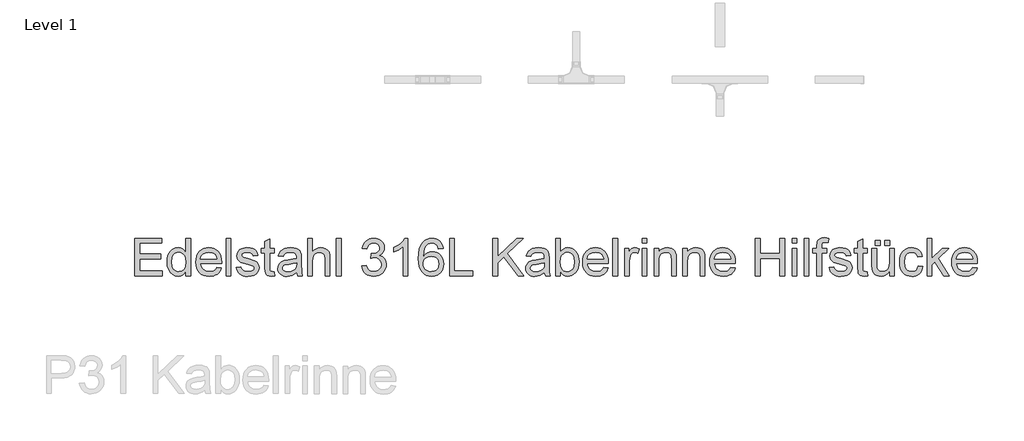
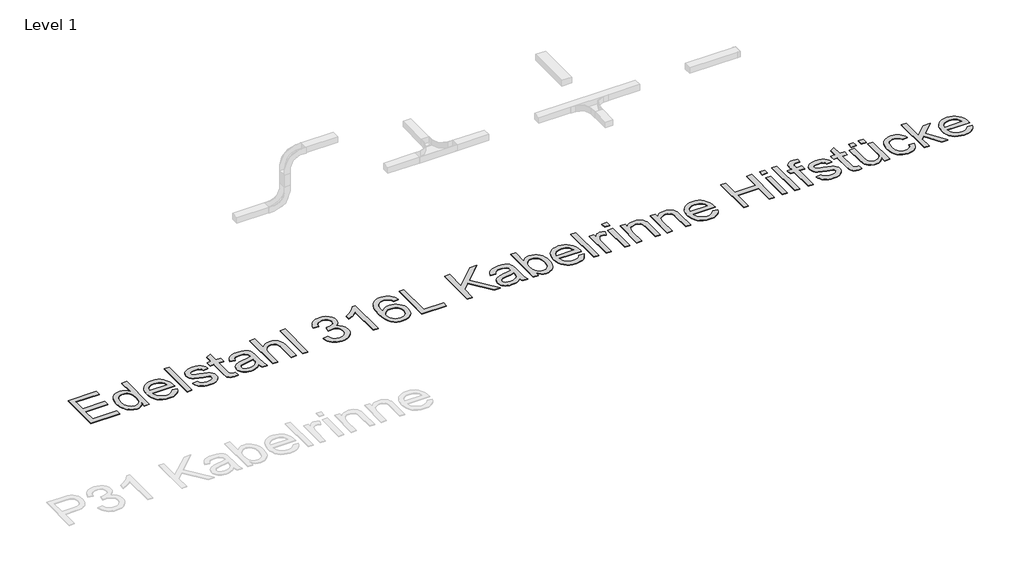
# One storey, part 12 of 15: 1 proxy.
"""IFC4 building model written with IfcOpenShell, lengths in millimetres."""

import ifcopenshell
import ifcopenshell.guid

model = None  # the IFC model being written
_history = None  # IfcOwnerHistory: only IFC2X3 demands one
_inside = {}  # id of a spatial element -> (the spatial element, [elements in it])
_under = {}  # id of a project, library or spatial element -> (it, [spatial elements below it])
_declared = {}  # id of a project -> (the project, [libraries it declares])
_typed = {}  # id of a type object -> (the type object, [elements of that type])
_made_of = {}  # id of a material, layer set ... -> (it, [elements and type objects made of it])


def new_model(schema):
    """Start an empty IFC model of exactly this schema.

    Asked for "IFC4X3", IfcOpenShell would pick the latest addendum, in which some entities
    have other attributes; the version numbers below select the first issue.
    IFC2X3 requires an IfcOwnerHistory on every rooted entity: one is made here for all.
    """
    global model, _history
    if schema == "IFC4X3":
        model = ifcopenshell.file(schema_version=(4, 3, 0, 0))
    else:
        model = ifcopenshell.file(schema=schema)
    _inside.clear()
    _under.clear()
    _declared.clear()
    _typed.clear()
    _made_of.clear()
    _history = None
    if model.schema == "IFC2X3":
        org = make("IfcOrganization", Name="unknown")
        user = make(
            "IfcPersonAndOrganization",
            ThePerson=make("IfcPerson", FamilyName="unknown"),
            TheOrganization=org,
        )
        app = make(
            "IfcApplication",
            ApplicationDeveloper=org,
            Version="unknown",
            ApplicationFullName="unknown",
            ApplicationIdentifier="unknown",
        )
        _history = make(
            "IfcOwnerHistory",
            OwningUser=user,
            OwningApplication=app,
            ChangeAction="ADDED",
            CreationDate=0,
        )
    return model


def make(cls, **values):
    """One entity of the class cls with the attributes given. An attribute that is None is left unset."""
    return model.create_entity(
        cls, **{name: value for name, value in values.items() if value is not None}
    )


def rooted(cls, **values):
    """An entity with a GlobalId (a new one), such as an element, a storey or a relation."""
    return make(cls, GlobalId=ifcopenshell.guid.new(), OwnerHistory=_history, **values)


def si_unit(unit_type, name, prefix=None):
    """IfcSIUnit, for example si_unit("LENGTHUNIT", "METRE", prefix="MILLI")."""
    return make("IfcSIUnit", UnitType=unit_type, Prefix=prefix, Name=name)


def assignment(units):
    """IfcUnitAssignment: the units of a project."""
    return None if units is None else make("IfcUnitAssignment", Units=units)


def point(xyz):
    """IfcCartesianPoint."""
    return None if xyz is None else make("IfcCartesianPoint", Coordinates=xyz)


def direction(xyz):
    """IfcDirection."""
    return None if xyz is None else make("IfcDirection", DirectionRatios=xyz)


def frame(location, z_axis=None, x_axis=None):
    """IfcAxis2Placement3D, a coordinate frame: its origin and axes. An axis left out is left unset."""
    return make(
        "IfcAxis2Placement3D",
        Location=point(location),
        Axis=direction(z_axis),
        RefDirection=direction(x_axis),
    )


def origin():
    """The frame at (0, 0, 0) with its axes left unset."""
    return frame((0.0, 0.0, 0.0))


def origin_with_axes():
    """The frame at (0, 0, 0) with the z axis (0, 0, 1) and the x axis (1, 0, 0) written out."""
    return frame((0.0, 0.0, 0.0), z_axis=(0.0, 0.0, 1.0), x_axis=(1.0, 0.0, 0.0))


def place(relative_to, where):
    """IfcLocalPlacement: puts the frame where relative to a parent placement (None: the world)."""
    return make(
        "IfcLocalPlacement", PlacementRelTo=relative_to, RelativePlacement=where
    )


def context(
    kind, dimensions, precision=None, world=None, true_north=None, identifier=None
):
    """IfcGeometricRepresentationContext, for example the 3D "Model" context."""
    return make(
        "IfcGeometricRepresentationContext",
        ContextIdentifier=identifier,
        ContextType=kind,
        CoordinateSpaceDimension=dimensions,
        Precision=precision,
        WorldCoordinateSystem=world,
        TrueNorth=true_north,
    )


def project(units=None, contexts=None):
    """IfcProject with its units and contexts."""
    return rooted(
        "IfcProject",
        Name="project",
        RepresentationContexts=contexts,
        UnitsInContext=assignment(units),
    )


def spatial(cls, under=None, at=None, **own):
    """A site, building, storey or space (cls), placed at a placement, below another one or the project."""
    s = rooted(cls, ObjectPlacement=at, **own)
    if under is not None:
        _under.setdefault(under.id(), (under, []))[1].append(s)
    return s


def polyline(points):
    """IfcPolyline through the points."""
    return make("IfcPolyline", Points=[point(p) for p in points])


def outline(outer, holes=None, kind="AREA"):
    """IfcArbitraryClosedProfileDef: a profile drawn as a closed curve; with holes, ...WithVoids."""
    if holes is None:
        return make("IfcArbitraryClosedProfileDef", ProfileType=kind, OuterCurve=outer)
    return make(
        "IfcArbitraryProfileDefWithVoids",
        ProfileType=kind,
        OuterCurve=outer,
        InnerCurves=holes,
    )


def extrude(swept, where, along, depth):
    """IfcExtrudedAreaSolid: the profile swept, set in the frame where, extruded along a direction by depth."""
    return make(
        "IfcExtrudedAreaSolid",
        SweptArea=swept,
        Position=where,
        ExtrudedDirection=direction(along),
        Depth=depth,
    )


def shape(context_of_items, identifier, shape_type, items):
    """IfcShapeRepresentation: the items that make up one representation, for example the "Body"."""
    return make(
        "IfcShapeRepresentation",
        ContextOfItems=context_of_items,
        RepresentationIdentifier=identifier,
        RepresentationType=shape_type,
        Items=items,
    )


def made_of(thing, what):
    """Note that an element or type object is made of a material, layer set ...; save() writes the relation."""
    if what is not None:
        _made_of.setdefault(what.id(), (what, []))[1].append(thing)
    return thing


def element(
    cls,
    number,
    at=None,
    inside=None,
    cuts=None,
    type_object=None,
    material=None,
    context=None,
    identifier="Body",
    shape_type=None,
    held_by="IfcProductDefinitionShape",
    body=None,
    shapes=None,
    **own,
):
    """One element of the class cls, such as IfcWall. Its Tag is "e" and its number.

    at: its placement. inside: the storey or other place that contains it. cuts: it is an
    opening in that element (IfcRelVoidsElement). A single representation is given by context,
    identifier, shape_type and body (its items); several are given by shapes. held_by: the class
    of the entity that holds the representations. save() writes the other relations.
    """
    e = rooted(cls, Tag="e%d" % number, ObjectPlacement=at, **own)
    if body is not None:
        shapes = [shape(context, identifier, shape_type, body)]
    if shapes is not None:
        e.Representation = make(held_by, Representations=shapes)
    if inside is not None:
        _inside.setdefault(inside.id(), (inside, []))[1].append(e)
    if cuts is not None:
        rooted(
            "IfcRelVoidsElement", RelatingBuildingElement=cuts, RelatedOpeningElement=e
        )
    if type_object is not None:
        _typed.setdefault(type_object.id(), (type_object, []))[1].append(e)
    return made_of(e, material)


def aggregate(whole, parts):
    """IfcRelAggregates: a whole, such as a stair, and the parts it consists of."""
    return rooted("IfcRelAggregates", RelatingObject=whole, RelatedObjects=parts)


def save(model, path):
    """Write the relations noted so far, then the file.

    IfcRelAggregates (storeys below a building ...), IfcRelContainedInSpatialStructure (elements
    in a storey), IfcRelDefinesByType, IfcRelAssociatesMaterial and IfcRelDeclares: one each for
    every whole, place, type object, material and project.
    """
    for whole, parts in _under.values():
        aggregate(whole, parts)
    for where, things in _inside.values():
        rooted(
            "IfcRelContainedInSpatialStructure",
            RelatedElements=things,
            RelatingStructure=where,
        )
    for kind, things in _typed.values():
        rooted("IfcRelDefinesByType", RelatedObjects=things, RelatingType=kind)
    for what, things in _made_of.values():
        rooted("IfcRelAssociatesMaterial", RelatedObjects=things, RelatingMaterial=what)
    for by, libraries in _declared.values():
        rooted("IfcRelDeclares", RelatingContext=by, RelatedDefinitions=libraries)
    model.write(path)


model = new_model("IFC4")

# Units and contexts
model_context = context("Model", 3, world=origin())
ifc_project = project(units=[si_unit("LENGTHUNIT", "METRE", prefix="MILLI")], contexts=[model_context])

# Site, building, storey
site = spatial("IfcSite", under=ifc_project)
building = spatial("IfcBuilding", under=site)
storey = spatial("IfcBuildingStorey", under=building, Name="Level 1", Elevation=0.0)

# Proxy
placement = place(None, origin())
element("IfcBuildingElementProxy", 1, Name="400mm", ObjectType="400mm", at=placement, inside=storey, context=model_context, shape_type="SweptSolid", body=[
    extrude(outline(polyline([(3974.4617601, -25416.2853679), (3974.4617601, -25024.5277921), (4256.0375177, -25024.5277921), (4256.0375177, -25073.4974891), (4023.4314571, -25073.4974891), (4023.4314571, -25189.8005194), (4243.7950934, -25189.8005194), (4243.7950934, -25238.7702163), (4023.4314571, -25238.7702163), (4023.4314571, -25367.3156709), (4262.1587298, -25367.3156709), (4262.1587298, -25416.2853679), (3974.4617601, -25416.2853679)])), origin_with_axes(), (0.0, 0.0, 1.0), 5.0),
    extrude(outline(polyline([(4507.0072146, -25416.2853679), (4507.0072146, -25370.0893451), (4492.3557587, -25392.9781354), (4474.6078302, -25409.3272713), (4453.7634291, -25419.1367528), (4429.8225555, -25422.40658), (4398.1644116, -25417.672205), (4369.184298, -25403.46908), (4344.6516275, -25380.7895109), (4326.3358131, -25350.6258035), (4314.9302733, -25314.197418), (4311.1284268, -25272.7238148), (4314.631386, -25231.7642978), (4325.1402639, -25194.7740042), (4342.6431048, -25163.8571008), (4367.1279533, -25141.1177542), (4396.741708, -25127.1298281), (4429.6312677, -25122.467186), (4453.5900745, -25125.8027684), (4474.7752071, -25135.8095156), (4492.7323567, -25151.1484124), (4507.0072146, -25170.4804436), (4507.0072146, -25024.5277921), (4555.9769116, -25024.5277921), (4555.9769116, -25416.2853679), (4507.0072146, -25416.2853679)]), holes=[polyline([(4360.0981237, -25272.532527), (4365.6215612, -25316.8276264), (4372.5258581, -25334.1780348), (4382.1918737, -25348.3303489), (4406.2702355, -25367.1602495), (4419.7978751, -25371.8677246), (4434.3178207, -25373.436883), (4462.3534504, -25367.4471813), (4485.8220821, -25349.4780762), (4495.0905776, -25335.9175589), (4501.7109315, -25319.1948139), (4507.0072146, -25276.2626406), (4501.6152875, -25229.3253773), (4494.8753787, -25211.2546505), (4485.4395063, -25196.782527), (4474.0309777, -25185.6938077), (4461.3731, -25177.773294), (4447.4658735, -25173.0209858), (4432.309298, -25171.436883), (4417.5024206, -25172.9582194), (4403.9747809, -25177.5222287), (4391.7263789, -25185.1289107), (4380.7572146, -25195.7782656), (4371.7188624, -25209.7034254), (4365.2628965, -25227.1375222), (4360.0981237, -25272.532527)])]), origin_with_axes(), (0.0, 0.0, 1.0), 5.0),
    extrude(outline(polyline([(4830.8575934, -25330.5883982), (4878.870851, -25336.7096103), (4871.5092565, -25355.9400198), (4861.5712535, -25372.8869304), (4849.0568418, -25387.5503418), (4833.9660215, -25399.9302542), (4816.4542139, -25409.7636467), (4796.6768406, -25416.7874985), (4750.3253965, -25422.40658), (4719.9405125, -25419.9826039), (4692.8672999, -25412.7106756), (4669.1057587, -25400.5907952), (4648.6558889, -25383.6229626), (4632.211109, -25362.2794197), (4620.4648377, -25337.0324086), (4613.417075, -25307.8819292), (4611.0678207, -25274.8279815), (4613.4409859, -25240.6532064), (4620.5604817, -25210.5313432), (4632.4263079, -25184.462392), (4649.0384646, -25162.4463527), (4669.4345347, -25144.9554673), (4692.652101, -25132.4619777), (4718.6911635, -25124.965884), (4747.5517222, -25122.467186), (4775.4827414, -25124.9599062), (4800.741708, -25132.4380667), (4823.3286221, -25144.9016676), (4843.2434836, -25162.3507088), (4859.4999644, -25184.3189261), (4871.1117364, -25210.3400554), (4878.0787996, -25240.4140966), (4880.401154, -25274.5410497), (4880.1142222, -25287.7399133), (4660.0375177, -25287.7399133), (4662.8739582, -25307.2811657), (4668.5139618, -25324.3954531), (4676.9575283, -25339.0827755), (4688.2046578, -25351.343133), (4716.6228633, -25367.9134455), (4751.2818358, -25373.436883), (4777.3448093, -25370.8784076), (4799.2950934, -25363.2029815), (4817.1326881, -25349.9323849), (4830.8575934, -25330.5883982)]), holes=[polyline([(4660.0375177, -25238.7702163), (4831.4314571, -25238.7702163), (4824.8081143, -25212.8985307), (4811.8244495, -25194.3914285), (4798.4701644, -25184.3488148), (4783.2747336, -25177.1755194), (4747.3604343, -25171.436883), (4714.3513197, -25176.0158366), (4687.0569305, -25189.7526974), (4668.0835641, -25211.1649843), (4660.0375177, -25238.7702163)])]), origin_with_axes(), (0.0, 0.0, 1.0), 5.0),
    extrude(outline(polyline([(4929.370851, -25416.2853679), (4929.370851, -25024.5277921), (4978.340548, -25024.5277921), (4978.340548, -25416.2853679), (4929.370851, -25416.2853679)])), origin_with_axes(), (0.0, 0.0, 1.0), 5.0),
    extrude(outline(polyline([(5033.4314571, -25330.5883982), (5082.401154, -25324.467186), (5090.1244021, -25345.4132088), (5105.0687677, -25360.811883), (5127.3298946, -25370.280633), (5157.0034268, -25373.436883), (5186.3182942, -25370.5436538), (5206.9295631, -25361.8639663), (5219.1241654, -25349.2867883), (5223.1890328, -25334.7010876), (5219.1002544, -25322.2195535), (5206.8339192, -25312.7029815), (5156.4295631, -25298.7389663), (5082.6880858, -25274.7801595), (5064.0255622, -25262.7409787), (5050.5039002, -25246.8043073), (5042.2904769, -25227.9863622), (5039.5526692, -25207.3033603), (5041.7524798, -25188.3299938), (5048.3519116, -25170.8151974), (5058.75319, -25155.4523896), (5072.3585404, -25142.9349891), (5103.4906427, -25128.4449323), (5145.621798, -25122.467186), (5177.4951408, -25124.87024), (5205.2079722, -25132.079402), (5227.4930101, -25143.3892978), (5243.0829722, -25158.0945535), (5253.4125177, -25177.2831188), (5259.9163055, -25202.0429436), (5210.9466086, -25208.1641557), (5204.765619, -25192.753526), (5192.5351502, -25181.1447429), (5174.1356474, -25173.863848), (5149.4475555, -25171.436883), (5121.3282374, -25173.7562485), (5102.5820252, -25180.7143451), (5092.0372809, -25190.7569588), (5088.5223661, -25202.3298754), (5094.3566465, -25216.5808224), (5112.6246389, -25227.3885876), (5154.8036161, -25237.813777), (5226.6800366, -25260.8639663), (5245.6653586, -25271.8869304), (5260.0597715, -25286.9747618), (5269.1339902, -25306.1752826), (5272.1587298, -25329.5363148), (5268.6079485, -25353.6864095), (5257.9556048, -25376.4018451), (5240.6081853, -25395.9012533), (5216.9721768, -25410.4032656), (5188.4224608, -25419.4057514), (5156.3339192, -25422.40658), (5129.9780361, -25420.9599654), (5106.9577355, -25416.6201216), (5087.2730172, -25409.3870487), (5070.9238813, -25399.2607466), (5057.5695963, -25386.2890374), (5046.8694305, -25370.5197429), (5038.8233841, -25351.9528631), (5033.4314571, -25330.5883982)])), origin_with_axes(), (0.0, 0.0, 1.0), 5.0),
    extrude(outline(polyline([(5431.3102449, -25375.4454057), (5437.4314571, -25417.720027), (5400.7998283, -25422.40658), (5377.2953302, -25420.3741463), (5359.7685783, -25414.2768451), (5347.3826881, -25404.8798281), (5339.3007752, -25392.9482466), (5334.8533321, -25372.4565326), (5333.370851, -25337.3791179), (5333.370851, -25177.5580951), (5296.6435783, -25177.5580951), (5296.6435783, -25128.5883982), (5333.370851, -25128.5883982), (5333.370851, -25058.6726785), (5382.340548, -25029.8838527), (5382.340548, -25128.5883982), (5431.3102449, -25128.5883982), (5431.3102449, -25177.5580951), (5382.340548, -25177.5580951), (5382.340548, -25335.9444588), (5384.9229343, -25361.1944588), (5393.291779, -25370.1371671), (5409.9816465, -25373.436883), (5431.3102449, -25375.4454057)])), origin_with_axes(), (0.0, 0.0, 1.0), 5.0),
    extrude(outline(polyline([(5663.9163055, -25379.5580951), (5640.5194069, -25399.6194114), (5616.4290896, -25412.7465421), (5591.0954012, -25419.9915705), (5563.9683889, -25422.40658), (5542.1645596, -25420.9539877), (5523.0447383, -25416.5962107), (5506.6089251, -25409.333249), (5492.8571199, -25399.1651027), (5481.9985439, -25386.7373683), (5474.2424182, -25372.6956425), (5469.5887428, -25357.0399252), (5468.0375177, -25339.7702163), (5470.3807942, -25319.4697902), (5477.4106237, -25301.0344209), (5488.2542554, -25285.2531709), (5502.0389381, -25272.9151027), (5536.3272904, -25256.8469209), (5578.6975555, -25249.4823376), (5628.7671578, -25241.7351785), (5663.6293737, -25232.6490042), (5663.9163055, -25221.7455951), (5660.5448567, -25199.890955), (5650.4305101, -25185.592186), (5627.8107184, -25174.9757088), (5596.2960404, -25171.436883), (5567.1246389, -25173.792115), (5546.7524798, -25180.857811), (5532.8601976, -25193.9251643), (5523.1284268, -25214.2853679), (5474.1587298, -25208.1641557), (5482.6590849, -25181.3838527), (5495.3438624, -25160.342186), (5513.3966559, -25144.2500932), (5538.0010593, -25132.3185118), (5568.0930338, -25124.9300175), (5602.6085404, -25122.467186), (5635.7132989, -25124.6430857), (5661.9556048, -25131.1707845), (5681.7419447, -25140.9862438), (5695.4788055, -25153.0254247), (5704.5888908, -25167.9100127), (5710.494904, -25186.2616936), (5712.8860025, -25229.1101785), (5712.8860025, -25290.0353679), (5715.3727449, -25375.110652), (5725.1284268, -25416.2853679), (5676.1587298, -25416.2853679), (5668.3159268, -25399.2607466), (5663.9163055, -25379.5580951)]), holes=[polyline([(5663.9163055, -25281.6187012), (5631.0147904, -25289.772347), (5584.9144116, -25296.6347997), (5542.7832563, -25304.5732466), (5531.8200697, -25310.0010402), (5523.7022904, -25317.4851785), (5518.6809836, -25326.4517978), (5517.0072146, -25336.3270345), (5520.6536398, -25350.8888243), (5531.5929154, -25362.8204057), (5549.5859315, -25370.7827637), (5574.3935783, -25373.436883), (5600.6956616, -25370.5077874), (5623.9371389, -25361.7205004), (5642.7789949, -25348.7727021), (5655.8822146, -25333.3620724), (5661.692584, -25317.4851785), (5663.6293737, -25295.4870724), (5663.9163055, -25281.6187012)])]), origin_with_axes(), (0.0, 0.0, 1.0), 5.0),
    extrude(outline(polyline([(5780.2193358, -25416.2853679), (5780.2193358, -25024.5277921), (5829.1890328, -25024.5277921), (5829.1890328, -25168.5675648), (5847.1760712, -25148.3986491), (5867.3748756, -25133.9922807), (5889.7854462, -25125.3484597), (5914.4077828, -25122.467186), (5943.9856711, -25125.6114805), (5969.403048, -25135.0443641), (5989.4165423, -25150.0245961), (6002.7827828, -25169.810936), (6010.314743, -25196.9977258), (6012.8253965, -25234.1793073), (6012.8253965, -25416.2853679), (5963.8556995, -25416.2853679), (5963.8556995, -25239.248436), (5959.958209, -25208.5945535), (5948.2657374, -25187.6007088), (5929.4238813, -25175.4778395), (5904.0782374, -25171.436883), (5883.38328, -25174.1627353), (5863.9556048, -25182.3402921), (5847.863512, -25195.180491), (5837.1753018, -25211.8942694), (5831.1856, -25234.1075743), (5829.1890328, -25263.4463527), (5829.1890328, -25416.2853679), (5780.2193358, -25416.2853679)])), origin_with_axes(), (0.0, 0.0, 1.0), 5.0),
    extrude(outline(polyline([(6080.1587298, -25416.2853679), (6080.1587298, -25024.5277921), (6129.1284268, -25024.5277921), (6129.1284268, -25416.2853679), (6080.1587298, -25416.2853679)])), origin_with_axes(), (0.0, 0.0, 1.0), 5.0),
    extrude(outline(polyline([(6343.370851, -25312.2247618), (6392.340548, -25306.1035497), (6403.3037345, -25336.8769872), (6419.3599608, -25357.655633), (6441.2982894, -25369.4915705), (6469.9077828, -25373.436883), (6503.4788055, -25368.0090895), (6517.3949987, -25361.2243475), (6529.3983131, -25351.7257088), (6545.9686256, -25327.4321482), (6551.4920631, -25297.9738148), (6546.0164476, -25270.009918), (6529.589601, -25247.3303489), (6504.7221768, -25232.3022949), (6473.9248283, -25227.2929436), (6439.588654, -25232.6490042), (6445.0403586, -25183.6793073), (6452.8831616, -25184.2531709), (6482.22194, -25180.7382561), (6508.4522904, -25170.1935118), (6519.2481, -25162.2191984), (6526.9593927, -25152.3559171), (6531.5861682, -25140.603668), (6533.1284268, -25126.9624512), (6528.6570726, -25105.8131851), (6515.2430101, -25088.6570535), (6494.7752071, -25077.2873802), (6469.1426313, -25073.4974891), (6443.4622336, -25077.3232466), (6422.4683889, -25088.8005194), (6407.1414476, -25107.9293073), (6398.4617601, -25134.7096103), (6349.4920631, -25128.5883982), (6355.2964547, -25105.2094327), (6363.910387, -25084.616097), (6375.33386, -25066.8083911), (6389.5668737, -25051.7863148), (6406.1610972, -25039.8607111), (6424.6681995, -25031.3424228), (6445.0881805, -25026.2314498), (6467.4210404, -25024.5277921), (6498.2064334, -25027.8872855), (6526.481173, -25037.9657656), (6550.3204249, -25053.8665705), (6567.7993548, -25074.6930383), (6578.5234315, -25098.6877116), (6582.0981237, -25124.093133), (6578.7027639, -25147.765008), (6568.5166843, -25169.2370724), (6551.683351, -25187.5289758), (6528.3462298, -25201.6603679), (6559.0001124, -25214.046258), (6581.715548, -25235.1357466), (6595.7752071, -25263.7811065), (6600.4617601, -25298.8346103), (6598.1184836, -25323.6781235), (6591.088654, -25346.560936), (6579.3722715, -25367.4830478), (6562.9693358, -25386.4444588), (6542.9857303, -25402.1778868), (6520.5273377, -25413.4160497), (6495.5941583, -25420.1589474), (6468.1861919, -25422.40658), (6443.4144116, -25420.4877234), (6420.8424419, -25414.7311538), (6400.4702828, -25405.1368712), (6382.2979343, -25391.7048754), (6367.0606592, -25375.2242291), (6355.4937203, -25356.4839948), (6347.5971176, -25335.4841723), (6343.370851, -25312.2247618)])), origin_with_axes(), (0.0, 0.0, 1.0), 5.0),
    extrude(outline(polyline([(6826.9466086, -25416.2853679), (6777.9769116, -25416.2853679), (6777.9769116, -25110.9899133), (6757.5330196, -25127.5243593), (6731.589601, -25144.0348944), (6680.0375177, -25168.7588527), (6680.0375177, -25122.467186), (6718.4983368, -25101.5450743), (6751.8182942, -25076.6537391), (6778.084511, -25050.1842788), (6795.3841086, -25024.5277921), (6826.9466086, -25024.5277921), (6826.9466086, -25416.2853679)])), origin_with_axes(), (0.0, 0.0, 1.0), 5.0),
    extrude(outline(polyline([(7194.2193358, -25128.5883982), (7145.2496389, -25134.7096103), (7137.3590139, -25110.4399607), (7126.6947146, -25093.8696482), (7104.4814097, -25078.5905288), (7077.6293737, -25073.4974891), (7054.8661161, -25076.4624512), (7033.4418737, -25085.3573376), (7015.0423709, -25104.0915942), (7000.0143169, -25129.8795913), (6989.8641038, -25166.3557987), (6986.0981237, -25217.154686), (7005.7409978, -25194.2360071), (7029.2813624, -25178.0841368), (7055.4041133, -25168.5077874), (7082.7941465, -25165.3156709), (7106.3225555, -25167.4975483), (7128.0337298, -25174.0431804), (7147.9276692, -25184.9525672), (7166.0043737, -25200.2257088), (7181.02645, -25218.9539877), (7191.7565044, -25240.2287864), (7198.1945371, -25264.0501051), (7200.340548, -25290.4179436), (7196.2995915, -25325.4834029), (7184.1767222, -25357.9903868), (7164.9762014, -25385.5597523), (7139.7022904, -25405.8123565), (7109.5027165, -25418.2580241), (7075.5252071, -25422.40658), (7046.3328834, -25419.6568167), (7019.9680338, -25411.407527), (6996.4306581, -25397.6587107), (6975.7207563, -25378.4103679), (6958.8366121, -25352.8495251), (6946.7765091, -25320.1632088), (6939.5404474, -25280.351419), (6937.1284268, -25233.4141557), (6939.8064571, -25180.7920558), (6947.840548, -25135.8812485), (6961.2306995, -25098.6817339), (6979.9769116, -25069.1935118), (7000.295271, -25049.6522594), (7023.8535688, -25035.694222), (7050.6518051, -25027.3193996), (7080.6899798, -25024.5277921), (7103.2440162, -25026.2553608), (7123.6580196, -25031.4380667), (7141.9319897, -25040.07591), (7158.0659268, -25052.1688906), (7171.6234552, -25067.3105217), (7182.1681995, -25085.0943167), (7189.7001597, -25105.5202755), (7194.2193358, -25128.5883982)]), holes=[polyline([(6986.0981237, -25289.6527921), (6988.9315754, -25311.3520109), (6997.4319305, -25332.0708792), (7010.6307942, -25349.8845629), (7027.5597715, -25362.8682277), (7047.991708, -25370.7947192), (7071.6994495, -25373.436883), (7104.0151455, -25367.9612675), (7117.5816405, -25361.1167481), (7129.4205669, -25351.5344209), (7139.0238162, -25339.6028395), (7145.88328, -25325.7105573), (7151.370851, -25292.0438906), (7145.9550129, -25259.7281946), (7139.1852153, -25246.4486314), (7129.7074987, -25235.0879247), (7117.8327059, -25225.9868061), (7103.8716796, -25219.4860071), (7069.6909268, -25214.2853679), (7037.4230527, -25219.4860071), (7010.4395063, -25235.0879247), (6999.7901514, -25246.2991877), (6992.1834694, -25259.1304199), (6987.6194601, -25273.5816214), (6986.0981237, -25289.6527921)])]), origin_with_axes(), (0.0, 0.0, 1.0), 5.0),
    extrude(outline(polyline([(7261.5526692, -25416.2853679), (7261.5526692, -25024.5277921), (7310.5223661, -25024.5277921), (7310.5223661, -25367.3156709), (7506.401154, -25367.3156709), (7506.401154, -25416.2853679), (7261.5526692, -25416.2853679)])), origin_with_axes(), (0.0, 0.0, 1.0), 5.0),
    extrude(outline(polyline([(7714.5223661, -25416.2853679), (7714.5223661, -25024.5277921), (7763.4920631, -25024.5277921), (7763.4920631, -25216.2938906), (7964.3443358, -25024.5277921), (8032.8253965, -25024.5277921), (7864.2051313, -25185.592186), (8038.9466086, -25416.2853679), (7979.0735025, -25416.2853679), (7829.4863813, -25218.6849891), (7763.4920631, -25281.6187012), (7763.4920631, -25416.2853679), (7714.5223661, -25416.2853679)])), origin_with_axes(), (0.0, 0.0, 1.0), 5.0),
    extrude(outline(polyline([(8253.1890328, -25379.5580951), (8229.7921341, -25399.6194114), (8205.7018169, -25412.7465421), (8180.3681285, -25419.9915705), (8153.2411161, -25422.40658), (8131.4372868, -25420.9539877), (8112.3174656, -25416.5962107), (8095.8816524, -25409.333249), (8082.1298472, -25399.1651027), (8071.2712712, -25386.7373683), (8063.5151455, -25372.6956425), (8058.8614701, -25357.0399252), (8057.3102449, -25339.7702163), (8059.6535215, -25319.4697902), (8066.683351, -25301.0344209), (8077.5269826, -25285.2531709), (8091.3116654, -25272.9151027), (8125.6000177, -25256.8469209), (8167.9702828, -25249.4823376), (8218.0398851, -25241.7351785), (8252.902101, -25232.6490042), (8253.1890328, -25221.7455951), (8249.817584, -25199.890955), (8239.7032374, -25185.592186), (8217.0834457, -25174.9757088), (8185.5687677, -25171.436883), (8156.3973661, -25173.792115), (8136.0252071, -25180.857811), (8122.1329249, -25193.9251643), (8112.401154, -25214.2853679), (8063.4314571, -25208.1641557), (8071.9318122, -25181.3838527), (8084.6165896, -25160.342186), (8102.6693832, -25144.2500932), (8127.2737866, -25132.3185118), (8157.365761, -25124.9300175), (8191.8812677, -25122.467186), (8224.9860262, -25124.6430857), (8251.2283321, -25131.1707845), (8271.014672, -25140.9862438), (8284.7515328, -25153.0254247), (8293.861618, -25167.9100127), (8299.7676313, -25186.2616936), (8302.1587298, -25229.1101785), (8302.1587298, -25290.0353679), (8304.6454722, -25375.110652), (8314.401154, -25416.2853679), (8265.4314571, -25416.2853679), (8257.588654, -25399.2607466), (8253.1890328, -25379.5580951)]), holes=[polyline([(8253.1890328, -25281.6187012), (8220.2875177, -25289.772347), (8174.1871389, -25296.6347997), (8132.0559836, -25304.5732466), (8121.092797, -25310.0010402), (8112.9750177, -25317.4851785), (8107.9537108, -25326.4517978), (8106.2799419, -25336.3270345), (8109.9263671, -25350.8888243), (8120.8656427, -25362.8204057), (8138.8586588, -25370.7827637), (8163.6663055, -25373.436883), (8189.9683889, -25370.5077874), (8213.2098661, -25361.7205004), (8232.0517222, -25348.7727021), (8245.1549419, -25333.3620724), (8250.9653112, -25317.4851785), (8252.902101, -25295.4870724), (8253.1890328, -25281.6187012)])]), origin_with_axes(), (0.0, 0.0, 1.0), 5.0),
    extrude(outline(polyline([(8418.4617601, -25416.2853679), (8369.4920631, -25416.2853679), (8369.4920631, -25024.5277921), (8418.4617601, -25024.5277921), (8418.4617601, -25169.810936), (8434.5658084, -25149.0980454), (8452.7501124, -25134.3031235), (8473.014672, -25125.4261704), (8495.3594874, -25122.467186), (8520.5855764, -25125.1332609), (8544.4248283, -25133.1314853), (8565.5143169, -25145.9597287), (8582.4911161, -25163.1158603), (8595.7975792, -25184.4325033), (8605.8760593, -25209.7422807), (8612.2244258, -25237.9931093), (8614.340548, -25268.1329057), (8612.149704, -25302.9114332), (8605.577172, -25333.5055383), (8594.6229521, -25359.9152211), (8579.2870442, -25382.1404815), (8560.8785747, -25399.7568996), (8540.7066701, -25412.3400554), (8518.7713304, -25419.8899488), (8495.0725555, -25422.40658), (8471.9924774, -25419.1606638), (8451.5306521, -25409.4229152), (8433.6870797, -25393.1933342), (8418.4617601, -25370.4719209), (8418.4617601, -25416.2853679)]), holes=[polyline([(8418.4617601, -25270.4283603), (8421.809298, -25311.2683224), (8431.8519116, -25338.9094209), (8443.7177378, -25354.0151856), (8457.5083983, -25364.8050175), (8473.2238931, -25371.2789166), (8490.8642222, -25373.436883), (8505.5097004, -25371.8468025), (8519.1270063, -25367.076561), (8543.277101, -25347.9955951), (8552.9431166, -25333.7147594), (8559.8474135, -25316.3135402), (8565.370851, -25272.1499512), (8560.0745679, -25227.3407656), (8553.4542139, -25209.9933461), (8544.1857184, -25196.0173754), (8520.7888197, -25177.5820061), (8507.4315458, -25172.9731638), (8492.9683889, -25171.436883), (8478.3229107, -25173.0269635), (8464.7056048, -25177.797205), (8440.5555101, -25196.8781709), (8430.8894945, -25211.0155407), (8423.9851976, -25227.9863622), (8418.4617601, -25270.4283603)])]), origin_with_axes(), (0.0, 0.0, 1.0), 5.0),
    extrude(outline(polyline([(8870.8575934, -25330.5883982), (8918.870851, -25336.7096103), (8911.5092565, -25355.9400198), (8901.5712535, -25372.8869304), (8889.0568418, -25387.5503418), (8873.9660215, -25399.9302542), (8856.4542139, -25409.7636467), (8836.6768406, -25416.7874985), (8790.3253965, -25422.40658), (8759.9405125, -25419.9826039), (8732.8672999, -25412.7106756), (8709.1057587, -25400.5907952), (8688.6558889, -25383.6229626), (8672.211109, -25362.2794197), (8660.4648377, -25337.0324086), (8653.417075, -25307.8819292), (8651.0678207, -25274.8279815), (8653.4409859, -25240.6532064), (8660.5604817, -25210.5313432), (8672.4263079, -25184.462392), (8689.0384646, -25162.4463527), (8709.4345347, -25144.9554673), (8732.652101, -25132.4619777), (8758.6911635, -25124.965884), (8787.5517222, -25122.467186), (8815.4827414, -25124.9599062), (8840.741708, -25132.4380667), (8863.3286221, -25144.9016676), (8883.2434836, -25162.3507088), (8899.4999644, -25184.3189261), (8911.1117364, -25210.3400554), (8918.0787996, -25240.4140966), (8920.401154, -25274.5410497), (8920.1142222, -25287.7399133), (8700.0375177, -25287.7399133), (8702.8739582, -25307.2811657), (8708.5139618, -25324.3954531), (8716.9575283, -25339.0827755), (8728.2046578, -25351.343133), (8756.6228633, -25367.9134455), (8791.2818358, -25373.436883), (8817.3448093, -25370.8784076), (8839.2950934, -25363.2029815), (8857.1326881, -25349.9323849), (8870.8575934, -25330.5883982)]), holes=[polyline([(8700.0375177, -25238.7702163), (8871.4314571, -25238.7702163), (8864.8081143, -25212.8985307), (8851.8244495, -25194.3914285), (8838.4701644, -25184.3488148), (8823.2747336, -25177.1755194), (8787.3604343, -25171.436883), (8754.3513197, -25176.0158366), (8727.0569305, -25189.7526974), (8708.0835641, -25211.1649843), (8700.0375177, -25238.7702163)])]), origin_with_axes(), (0.0, 0.0, 1.0), 5.0),
    extrude(outline(polyline([(8969.370851, -25416.2853679), (8969.370851, -25024.5277921), (9018.340548, -25024.5277921), (9018.340548, -25416.2853679), (8969.370851, -25416.2853679)])), origin_with_axes(), (0.0, 0.0, 1.0), 5.0),
    extrude(outline(polyline([(9091.7950934, -25416.2853679), (9091.7950934, -25128.5883982), (9134.6435783, -25128.5883982), (9134.6435783, -25171.1499512), (9150.4726502, -25146.4738148), (9165.058351, -25131.935936), (9179.6918737, -25124.8343735), (9195.6644116, -25122.467186), (9220.0536161, -25126.2451216), (9244.8253965, -25137.5789285), (9228.4702828, -25181.4794966), (9211.2543737, -25173.9475364), (9194.0384646, -25171.436883), (9179.4168974, -25173.8518925), (9166.3495442, -25181.0969209), (9155.7928444, -25192.6220156), (9148.7032374, -25207.8772239), (9142.7494021, -25235.2313906), (9140.7647904, -25265.0722997), (9140.7647904, -25416.2853679), (9091.7950934, -25416.2853679)])), origin_with_axes(), (0.0, 0.0, 1.0), 5.0),
    extrude(outline(polyline([(9275.4314571, -25416.2853679), (9275.4314571, -25128.5883982), (9324.401154, -25128.5883982), (9324.401154, -25416.2853679), (9275.4314571, -25416.2853679)])), origin_with_axes(), (0.0, 0.0, 1.0), 5.0),
    extrude(outline(polyline([(9275.4314571, -25073.4974891), (9275.4314571, -25024.5277921), (9324.401154, -25024.5277921), (9324.401154, -25073.4974891), (9275.4314571, -25073.4974891)])), origin_with_axes(), (0.0, 0.0, 1.0), 5.0),
    extrude(outline(polyline([(9397.8556995, -25416.2853679), (9397.8556995, -25128.5883982), (9446.8253965, -25128.5883982), (9446.8253965, -25168.7588527), (9463.8380622, -25148.5062485), (9484.2699987, -25134.0401027), (9508.1212061, -25125.3604152), (9535.3916843, -25122.467186), (9559.5298235, -25124.7985071), (9581.635529, -25131.7924701), (9600.0708983, -25142.5763243), (9613.198029, -25156.2773186), (9622.1048709, -25172.8595866), (9627.8793737, -25192.2872618), (9630.4617601, -25239.6310118), (9630.4617601, -25416.2853679), (9581.4920631, -25416.2853679), (9581.4920631, -25246.2304436), (9580.081315, -25220.9087107), (9575.8490707, -25202.9037391), (9568.0421341, -25190.0037627), (9555.9073093, -25179.9970156), (9540.3532137, -25173.5769162), (9522.2884646, -25171.436883), (9493.6072383, -25176.242991), (9469.1582563, -25190.6613148), (9459.3876301, -25202.4314971), (9452.4086114, -25218.5176122), (9448.2212002, -25238.91966), (9446.8253965, -25263.6376406), (9446.8253965, -25416.2853679), (9397.8556995, -25416.2853679)])), origin_with_axes(), (0.0, 0.0, 1.0), 5.0),
    extrude(outline(polyline([(9697.7950934, -25416.2853679), (9697.7950934, -25128.5883982), (9746.7647904, -25128.5883982), (9746.7647904, -25168.7588527), (9763.7774561, -25148.5062485), (9784.2093927, -25134.0401027), (9808.0606, -25125.3604152), (9835.3310783, -25122.467186), (9859.4692175, -25124.7985071), (9881.574923, -25131.7924701), (9900.0102923, -25142.5763243), (9913.137423, -25156.2773186), (9922.0442648, -25172.8595866), (9927.8187677, -25192.2872618), (9930.401154, -25239.6310118), (9930.401154, -25416.2853679), (9881.4314571, -25416.2853679), (9881.4314571, -25246.2304436), (9880.020709, -25220.9087107), (9875.7884646, -25202.9037391), (9867.9815281, -25190.0037627), (9855.8467033, -25179.9970156), (9840.2926076, -25173.5769162), (9822.2278586, -25171.436883), (9793.5466322, -25176.242991), (9769.0976502, -25190.6613148), (9759.3270241, -25202.4314971), (9752.3480054, -25218.5176122), (9748.1605941, -25238.91966), (9746.7647904, -25263.6376406), (9746.7647904, -25416.2853679), (9697.7950934, -25416.2853679)])), origin_with_axes(), (0.0, 0.0, 1.0), 5.0),
    extrude(outline(polyline([(10199.1606237, -25330.5883982), (10247.1738813, -25336.7096103), (10239.8122868, -25355.9400198), (10229.8742838, -25372.8869304), (10217.3598721, -25387.5503418), (10202.2690518, -25399.9302542), (10184.7572442, -25409.7636467), (10164.9798709, -25416.7874985), (10118.6284268, -25422.40658), (10088.2435428, -25419.9826039), (10061.1703302, -25412.7106756), (10037.408789, -25400.5907952), (10016.9589192, -25383.6229626), (10000.5141393, -25362.2794197), (9988.767868, -25337.0324086), (9981.7201053, -25307.8819292), (9979.370851, -25274.8279815), (9981.7440162, -25240.6532064), (9988.863512, -25210.5313432), (10000.7293382, -25184.462392), (10017.3414949, -25162.4463527), (10037.737565, -25144.9554673), (10060.9551313, -25132.4619777), (10086.9941938, -25124.965884), (10115.8547525, -25122.467186), (10143.7857717, -25124.9599062), (10169.0447383, -25132.4380667), (10191.6316524, -25144.9016676), (10211.5465139, -25162.3507088), (10227.8029947, -25184.3189261), (10239.4147667, -25210.3400554), (10246.3818299, -25240.4140966), (10248.7041843, -25274.5410497), (10248.4172525, -25287.7399133), (10028.340548, -25287.7399133), (10031.1769885, -25307.2811657), (10036.8169921, -25324.3954531), (10045.2605586, -25339.0827755), (10056.5076881, -25351.343133), (10084.9258936, -25367.9134455), (10119.5848661, -25373.436883), (10145.6478396, -25370.8784076), (10167.5981237, -25363.2029815), (10185.4357184, -25349.9323849), (10199.1606237, -25330.5883982)]), holes=[polyline([(10028.340548, -25238.7702163), (10199.7344874, -25238.7702163), (10193.1111446, -25212.8985307), (10180.1274798, -25194.3914285), (10166.7731947, -25184.3488148), (10151.5777639, -25177.1755194), (10115.6634646, -25171.436883), (10082.65435, -25176.0158366), (10055.3599608, -25189.7526974), (10036.3865944, -25211.1649843), (10028.340548, -25238.7702163)])]), origin_with_axes(), (0.0, 0.0, 1.0), 5.0),
    extrude(outline(polyline([(10456.8253965, -25416.2853679), (10456.8253965, -25024.5277921), (10505.7950934, -25024.5277921), (10505.7950934, -25183.6793073), (10713.9163055, -25183.6793073), (10713.9163055, -25024.5277921), (10762.8860025, -25024.5277921), (10762.8860025, -25416.2853679), (10713.9163055, -25416.2853679), (10713.9163055, -25232.6490042), (10505.7950934, -25232.6490042), (10505.7950934, -25416.2853679), (10456.8253965, -25416.2853679)])), origin_with_axes(), (0.0, 0.0, 1.0), 5.0),
    extrude(outline(polyline([(10842.4617601, -25416.2853679), (10842.4617601, -25128.5883982), (10891.4314571, -25128.5883982), (10891.4314571, -25416.2853679), (10842.4617601, -25416.2853679)])), origin_with_axes(), (0.0, 0.0, 1.0), 5.0),
    extrude(outline(polyline([(10842.4617601, -25073.4974891), (10842.4617601, -25024.5277921), (10891.4314571, -25024.5277921), (10891.4314571, -25073.4974891), (10842.4617601, -25073.4974891)])), origin_with_axes(), (0.0, 0.0, 1.0), 5.0),
    extrude(outline(polyline([(10964.8860025, -25416.2853679), (10964.8860025, -25024.5277921), (11013.8556995, -25024.5277921), (11013.8556995, -25416.2853679), (10964.8860025, -25416.2853679)])), origin_with_axes(), (0.0, 0.0, 1.0), 5.0),
    extrude(outline(polyline([(11099.5526692, -25416.2853679), (11099.5526692, -25177.5580951), (11056.7041843, -25177.5580951), (11056.7041843, -25128.5883982), (11099.5526692, -25128.5883982), (11099.5526692, -25099.6082845), (11100.8438624, -25075.6255667), (11104.7174419, -25058.7683224), (11114.5687677, -25042.4849417), (11129.776154, -25029.5969209), (11151.0569305, -25021.2041652), (11179.1284268, -25018.40658), (11223.7941465, -25023.7626406), (11216.620851, -25069.6717315), (11188.4058889, -25067.376277), (11169.7911872, -25069.4087107), (11157.5607184, -25075.5060118), (11150.7819542, -25087.1506614), (11148.5223661, -25105.8251406), (11148.5223661, -25128.5883982), (11203.6132752, -25128.5883982), (11203.6132752, -25177.5580951), (11148.5223661, -25177.5580951), (11148.5223661, -25416.2853679), (11099.5526692, -25416.2853679)])), origin_with_axes(), (0.0, 0.0, 1.0), 5.0),
    extrude(outline(polyline([(11228.0981237, -25330.5883982), (11277.0678207, -25324.467186), (11284.7910688, -25345.4132088), (11299.7354343, -25360.811883), (11321.9965612, -25370.280633), (11351.6700934, -25373.436883), (11380.9849608, -25370.5436538), (11401.5962298, -25361.8639663), (11413.7908321, -25349.2867883), (11417.8556995, -25334.7010876), (11413.7669211, -25322.2195535), (11401.5005858, -25312.7029815), (11351.0962298, -25298.7389663), (11277.3547525, -25274.7801595), (11258.6922288, -25262.7409787), (11245.1705669, -25246.8043073), (11236.9571436, -25227.9863622), (11234.2193358, -25207.3033603), (11236.4191465, -25188.3299938), (11243.0185783, -25170.8151974), (11253.4198567, -25155.4523896), (11267.0252071, -25142.9349891), (11298.1573093, -25128.4449323), (11340.2884646, -25122.467186), (11372.1618074, -25124.87024), (11399.8746389, -25132.079402), (11422.1596768, -25143.3892978), (11437.7496389, -25158.0945535), (11448.0791843, -25177.2831188), (11454.5829722, -25202.0429436), (11405.6132752, -25208.1641557), (11399.4322857, -25192.753526), (11387.2018169, -25181.1447429), (11368.8023141, -25173.863848), (11344.1142222, -25171.436883), (11315.994904, -25173.7562485), (11297.2486919, -25180.7143451), (11286.7039476, -25190.7569588), (11283.1890328, -25202.3298754), (11289.0233131, -25216.5808224), (11307.2913055, -25227.3885876), (11349.4702828, -25237.813777), (11421.3467033, -25260.8639663), (11440.3320252, -25271.8869304), (11454.7264381, -25286.9747618), (11463.8006569, -25306.1752826), (11466.8253965, -25329.5363148), (11463.2746152, -25353.6864095), (11452.6222715, -25376.4018451), (11435.2748519, -25395.9012533), (11411.6388434, -25410.4032656), (11383.0891275, -25419.4057514), (11351.0005858, -25422.40658), (11324.6447028, -25420.9599654), (11301.6244021, -25416.6201216), (11281.9396839, -25409.3870487), (11265.590548, -25399.2607466), (11252.2362629, -25386.2890374), (11241.5360972, -25370.5197429), (11233.4900508, -25351.9528631), (11228.0981237, -25330.5883982)])), origin_with_axes(), (0.0, 0.0, 1.0), 5.0),
    extrude(outline(polyline([(11625.9769116, -25375.4454057), (11632.0981237, -25417.720027), (11595.4664949, -25422.40658), (11571.9619968, -25420.3741463), (11554.4352449, -25414.2768451), (11542.0493548, -25404.8798281), (11533.9674419, -25392.9482466), (11529.5199987, -25372.4565326), (11528.0375177, -25337.3791179), (11528.0375177, -25177.5580951), (11491.3102449, -25177.5580951), (11491.3102449, -25128.5883982), (11528.0375177, -25128.5883982), (11528.0375177, -25058.6726785), (11577.0072146, -25029.8838527), (11577.0072146, -25128.5883982), (11625.9769116, -25128.5883982), (11625.9769116, -25177.5580951), (11577.0072146, -25177.5580951), (11577.0072146, -25335.9444588), (11579.589601, -25361.1944588), (11587.9584457, -25370.1371671), (11604.6483131, -25373.436883), (11625.9769116, -25375.4454057)])), origin_with_axes(), (0.0, 0.0, 1.0), 5.0),
    extrude(outline(polyline([(11809.6132752, -25097.9823376), (11809.6132752, -25049.0126406), (11858.5829722, -25049.0126406), (11858.5829722, -25097.9823376), (11809.6132752, -25097.9823376)])), origin_with_axes(), (0.0, 0.0, 1.0), 5.0),
    extrude(outline(polyline([(11711.6738813, -25097.9823376), (11711.6738813, -25049.0126406), (11760.6435783, -25049.0126406), (11760.6435783, -25097.9823376), (11711.6738813, -25097.9823376)])), origin_with_axes(), (0.0, 0.0, 1.0), 5.0),
    extrude(outline(polyline([(11858.5829722, -25416.2853679), (11858.5829722, -25366.8374512), (11840.8649324, -25391.148945), (11820.2297525, -25408.5142978), (11796.6774324, -25418.9335094), (11770.2079722, -25422.40658), (11746.3567648, -25419.9676595), (11724.1554154, -25412.6508982), (11705.5287582, -25401.6518451), (11692.4016275, -25388.1660497), (11683.5665186, -25371.7870251), (11677.8159268, -25352.1082845), (11674.9466086, -25306.5817694), (11674.9466086, -25128.5883982), (11723.9163055, -25128.5883982), (11723.9163055, -25283.53158), (11726.8812677, -25333.4577163), (11734.0186966, -25350.1117173), (11746.2491654, -25362.7725838), (11762.7597004, -25370.7708082), (11782.7373283, -25373.436883), (11803.8626834, -25370.7110307), (11823.6251124, -25362.5334739), (11839.9204485, -25349.6574086), (11850.6445252, -25332.8360307), (11856.5983605, -25309.7977968), (11858.5829722, -25278.2711633), (11858.5829722, -25128.5883982), (11907.5526692, -25128.5883982), (11907.5526692, -25416.2853679), (11858.5829722, -25416.2853679)])), origin_with_axes(), (0.0, 0.0, 1.0), 5.0),
    extrude(outline(polyline([(12158.5223661, -25312.2247618), (12207.4920631, -25318.3459739), (12202.1658912, -25341.4529519), (12193.8388908, -25361.8998328), (12182.5110617, -25379.6866167), (12168.182404, -25394.8133035), (12151.4566701, -25406.8853619), (12132.9376124, -25415.5082609), (12112.6252307, -25420.6820002), (12090.5195252, -25422.40658), (12063.0547703, -25420.0005371), (12038.4294447, -25412.7824086), (12016.6435487, -25400.7521943), (11997.6970821, -25383.9098944), (11982.3611742, -25362.5723293), (11971.4069542, -25337.0563196), (11964.8344223, -25307.3618653), (11962.6435783, -25273.4889663), (11966.3856474, -25229.9111965), (11977.6118548, -25192.1437959), (11996.5015328, -25161.6453347), (12023.2340139, -25139.874383), (12055.2149561, -25126.8189853), (12089.8500177, -25122.467186), (12111.5761363, -25123.9616226), (12131.2279769, -25128.4449323), (12148.8055397, -25135.917115), (12164.3088245, -25146.3781709), (12177.4748105, -25159.58899), (12188.0404769, -25175.3104626), (12196.0058238, -25193.5425885), (12201.370851, -25214.2853679), (12152.401154, -25220.40658), (12143.5182232, -25199.042115), (12129.6857184, -25183.7271292), (12111.6687913, -25174.5094446), (12090.2325934, -25171.436883), (12073.5935368, -25172.9492528), (12058.586405, -25177.4863622), (12045.2111978, -25185.0482111), (12033.4679154, -25195.6347997), (12023.9065103, -25209.4912154), (12017.0769353, -25226.8625459), (12011.6132752, -25272.1499512), (12016.9573804, -25318.0470866), (12023.6375117, -25335.5349832), (12032.9896957, -25349.3824323), (12044.499846, -25359.9062545), (12057.6538766, -25367.4232703), (12072.4517873, -25371.9334798), (12088.8935783, -25373.436883), (12114.2511777, -25369.6828584), (12135.041779, -25358.4207845), (12150.1654769, -25339.3637296), (12158.5223661, -25312.2247618)])), origin_with_axes(), (0.0, 0.0, 1.0), 5.0),
    extrude(outline(polyline([(12250.340548, -25416.2853679), (12250.340548, -25024.5277921), (12299.3102449, -25024.5277921), (12299.3102449, -25235.0401027), (12409.1094874, -25128.5883982), (12476.8253965, -25128.5883982), (12365.6871389, -25236.3791179), (12482.9466086, -25416.2853679), (12425.7515328, -25416.2853679), (12330.5858131, -25270.4283603), (12299.3102449, -25300.7474891), (12299.3102449, -25416.2853679), (12250.340548, -25416.2853679)])), origin_with_axes(), (0.0, 0.0, 1.0), 5.0),
    extrude(outline(polyline([(12727.2212298, -25330.5883982), (12775.2344874, -25336.7096103), (12767.8728929, -25355.9400198), (12757.9348898, -25372.8869304), (12745.4204781, -25387.5503418), (12730.3296578, -25399.9302542), (12712.8178503, -25409.7636467), (12693.0404769, -25416.7874985), (12646.6890328, -25422.40658), (12616.3041488, -25419.9826039), (12589.2309362, -25412.7106756), (12565.469395, -25400.5907952), (12545.0195252, -25383.6229626), (12528.5747454, -25362.2794197), (12516.8284741, -25337.0324086), (12509.7807113, -25307.8819292), (12507.4314571, -25274.8279815), (12509.8046223, -25240.6532064), (12516.924118, -25210.5313432), (12528.7899443, -25184.462392), (12545.402101, -25162.4463527), (12565.7981711, -25144.9554673), (12589.0157374, -25132.4619777), (12615.0547999, -25124.965884), (12643.9153586, -25122.467186), (12671.8463777, -25124.9599062), (12697.1053444, -25132.4380667), (12719.6922584, -25144.9016676), (12739.6071199, -25162.3507088), (12755.8636008, -25184.3189261), (12767.4753728, -25210.3400554), (12774.442436, -25240.4140966), (12776.7647904, -25274.5410497), (12776.4778586, -25287.7399133), (12556.401154, -25287.7399133), (12559.2375946, -25307.2811657), (12564.8775982, -25324.3954531), (12573.3211647, -25339.0827755), (12584.5682942, -25351.343133), (12612.9864997, -25367.9134455), (12647.6454722, -25373.436883), (12673.7084457, -25370.8784076), (12695.6587298, -25363.2029815), (12713.4963245, -25349.9323849), (12727.2212298, -25330.5883982)]), holes=[polyline([(12556.401154, -25238.7702163), (12727.7950934, -25238.7702163), (12721.1717506, -25212.8985307), (12708.1880858, -25194.3914285), (12694.8338008, -25184.3488148), (12679.6383699, -25177.1755194), (12643.7240707, -25171.436883), (12610.7149561, -25176.0158366), (12583.4205669, -25189.7526974), (12564.4472004, -25211.1649843), (12556.401154, -25238.7702163)])]), origin_with_axes(), (0.0, 0.0, 1.0), 5.0),
])

save(model, "model.ifc")
